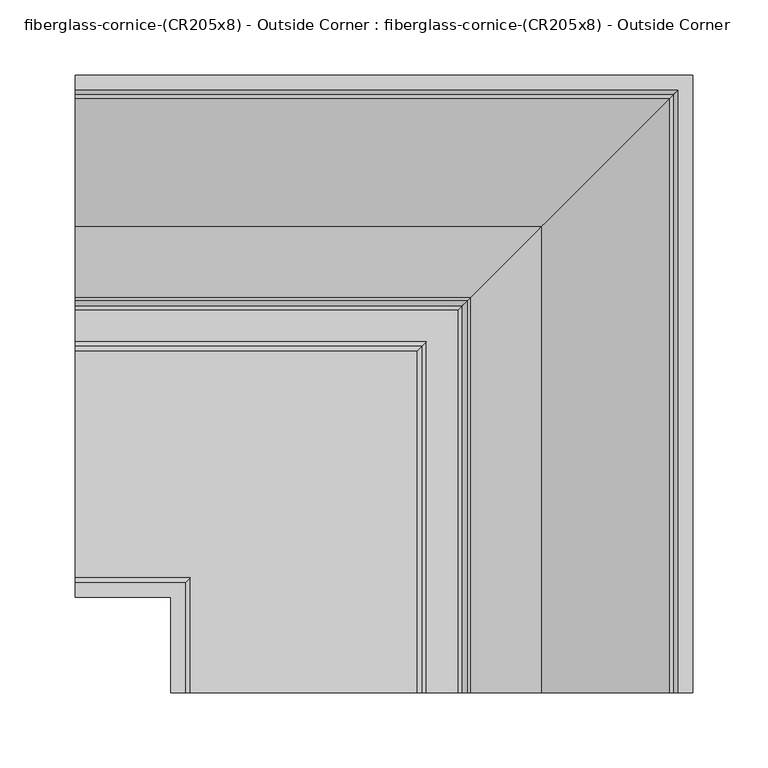
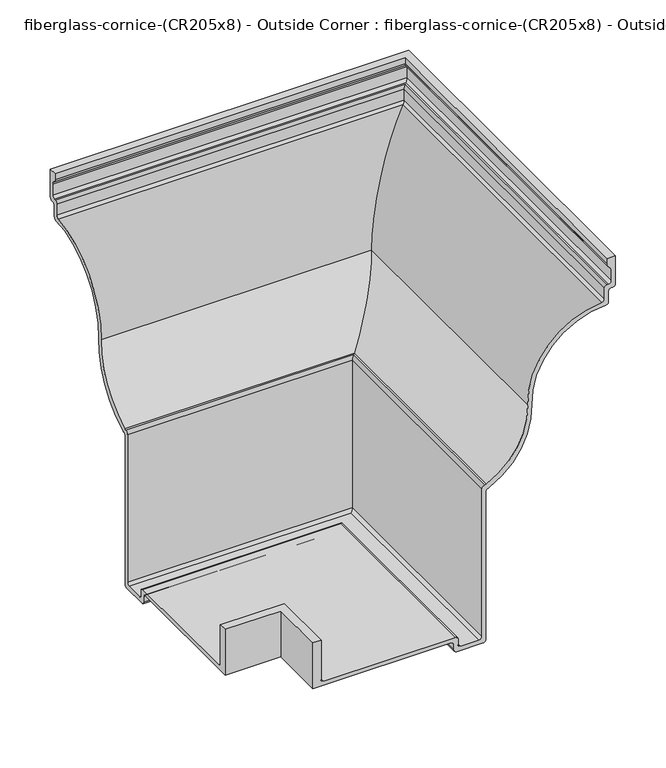
"""IFC4 building model written with IfcOpenShell, lengths in millimetres: furniture geometry, fiberglass-cornice-(CR205x8) - Outside Corner : fiberglass-cornice-(CR205x8) - Outside Corner."""

from ifc_helpers import new_model, si_unit, frame, origin, place, context, project, spatial, polyline, circle_curve, ellipse_curve, source, transform, mapped, element, save
from ifc_brep_helpers import plane_surface, cylinder_surface, revolved_surface, advanced_brep


def fiberglass_cornice_cr205x8_outside_corner_fiberglass_cornice_8eec718f(model_context):
    return source(origin(), model_context, "Body", "AdvancedBrep", [
        advanced_brep(
        [(-196.9488213, 448.402592, 330.1999904), (-196.9488213, 448.402592, 296.7496669), (-196.9488213, 445.227592, 293.5746669), (-196.9488213, 443.63751, 293.5746669), (-196.9488213, 440.4650842, 290.399668), (-196.9488213, 440.4650842, 277.6673142), (-196.9488213, 437.3782283, 274.4935379), (-196.9488213, 352.5801605, 183.4968665), (-196.9488213, 304.027068, 100.4557582), (-196.9488213, 302.6878327, 100.0102029), (-196.9488213, 300.057645, 96.8822955), (-196.9488213, 300.057645, -82.2659003), (-196.9488213, 296.882645, -85.4409003), (-196.9488213, 266.5927804, -85.4409003), (-196.9488213, 263.4177805, -82.2659005), (-196.9488213, 263.4177805, -75.9158997), (-196.9488213, 260.2207008, -72.7409765), (-196.9488213, 101.6, -72.7409765), (-196.9488213, 101.6, -17.1784797), (-196.9488213, 111.1249944, -17.1784797), (-196.9488213, 111.1249944, -64.8034783), (-196.9488213, 114.3220741, -67.9784015), (-196.9488213, 265.0052762, -67.9784015), (-196.9488213, 268.1802762, -71.1534015), (-196.9488213, 268.1802762, -77.5034023), (-196.9488213, 271.3552762, -80.6784023), (-196.9488213, 292.1201354, -80.6784023), (-196.9488213, 295.2951354, -77.5034025), (-196.9488213, 295.2951398, 101.1846656), (-196.9488213, 298.645484, 104.5975338), (-196.9488213, 300.4422511, 105.0961744), (-196.9488213, 347.7761057, 184.5765721), (-196.9488213, 432.770084, 279.0207573), (-196.9488213, 435.7025789, 282.1864826), (-196.9488213, 435.7025789, 295.1621667), (-196.9488213, 438.8805682, 298.3371653), (-196.9488213, 440.4650868, 298.3371653), (-196.9488213, 443.6400868, 301.5121653), (-196.9488213, 443.6400868, 314.8697359), (-196.9488213, 441.2588365, 318.9941821), (-196.9488213, 438.8775863, 323.1186282), (-196.9488213, 438.8775863, 330.1999904), (213.4529894, 38.0007813, 330.1999904), (203.9279837, 38.0007813, 330.1999904), (203.9279837, 38.0007813, 323.1186282), (206.3092339, 38.0007813, 318.9941821), (208.6904842, 38.0007813, 314.8697359), (208.6904842, 38.0007813, 301.5121653), (205.5154842, 38.0007813, 298.3371653), (203.9309656, 38.0007813, 298.3371653), (200.7529763, 38.0007813, 295.1621667), (200.7529763, 38.0007813, 282.1864826), (197.8204814, 38.0007813, 279.0207573), (112.8265031, 38.0007813, 184.5765721), (65.4926485, 38.0007813, 105.0961744), (63.6958814, 38.0007813, 104.5975338), (60.3455372, 38.0007813, 101.1846656), (60.3455372, 38.0007813, -77.5034025), (57.1705328, 38.0007813, -80.6784025), (36.4056736, 38.0007813, -80.6784023), (33.2306736, 38.0007813, -77.5034023), (33.2306736, 38.0007813, -71.1534015), (30.0556736, 38.0007813, -67.9784015), (-120.6275285, 38.0007813, -67.9784015), (-123.8246082, 38.0007813, -64.8034783), (-123.8246082, 38.0007813, -17.1784797), (-133.3496026, 38.0007813, -17.1784797), (-133.3496026, 38.0007813, -72.7409765), (25.2710982, 38.0007813, -72.7409765), (28.4681779, 38.0007813, -75.9158997), (28.4681779, 38.0007813, -82.2659005), (31.6431778, 38.0007813, -85.4409003), (61.9330424, 38.0007813, -85.4409003), (65.1080424, 38.0007813, -82.2659003), (65.1080424, 38.0007813, 96.8822955), (67.7382301, 38.0007813, 100.0102029), (69.0774654, 38.0007813, 100.4557582), (117.6305579, 38.0007813, 183.4968665), (202.4286257, 38.0007813, 274.4935379), (205.5154816, 38.0007813, 277.6673142), (205.5154816, 38.0007813, 290.399668), (208.6879074, 38.0007813, 293.5746669), (210.2779894, 38.0007813, 293.5746669), (213.4529894, 38.0007813, 296.7496669), (213.4529894, 448.402592, 330.1999904), (213.4529894, 448.402592, 296.7496669), (210.2779894, 445.227592, 293.5746669), (208.6879074, 443.63751, 293.5746669), (205.5154816, 440.4650842, 290.399668), (205.5154816, 440.4650842, 277.6673142), (202.4286257, 437.3782283, 274.4935379), (117.6305579, 352.5801605, 183.4968665), (69.0774654, 304.027068, 100.4557582), (67.7382301, 302.6878327, 100.0102029), (65.1080424, 300.057645, 96.8822955), (65.1080424, 300.057645, -82.2659003), (61.9330424, 296.882645, -85.4409003), (31.6431778, 266.5927804, -85.4409003), (28.4681779, 263.4177805, -82.2659005), (28.4681779, 263.4177805, -75.9158997), (25.2710982, 260.2207008, -72.7409765), (-133.3496026, 101.6, -72.7409765), (-133.3496026, 101.6, -17.1784797), (-123.8246082, 111.1249944, -17.1784797), (-123.8246082, 111.1249944, -64.8034783), (-120.6275285, 114.3220741, -67.9784015), (30.0556736, 265.0052762, -67.9784015), (33.2306736, 268.1802762, -71.1534015), (33.2306736, 268.1802762, -77.5034023), (36.4056736, 271.3552762, -80.6784023), (57.1705328, 292.1201354, -80.6784023), (60.3455328, 295.2951354, -77.5034025), (60.3455372, 295.2951398, 101.1846656), (63.6958814, 298.645484, 104.5975338), (65.4926485, 300.4422511, 105.0961744), (112.8265031, 347.7761057, 184.5765721), (197.8204814, 432.770084, 279.0207573), (200.7529763, 435.7025789, 282.1864826), (200.7529763, 435.7025789, 295.1621667), (203.9309656, 438.8805682, 298.3371653), (205.5154842, 440.4650868, 298.3371653), (208.6904842, 443.6400868, 301.5121653), (208.6904842, 443.6400868, 314.8697359), (206.3092339, 441.2588365, 318.9941821), (203.9279837, 438.8775863, 323.1186282), (203.9279837, 438.8775863, 330.1999904)],
        [
            (0, 1),
            (1, 2, circle_curve(frame((-196.9488213, 445.227592, 296.7496669), z_axis=(-1.0, 0.0, 0.0), x_axis=(0.0, 1.0, 0.0)), 3.175)),
            (2, 3),
            (3, 4, circle_curve(frame((-196.9488213, 443.6400842, 290.399668), z_axis=(1.0, 0.0, 0.0), x_axis=(0.0, 1.0, 0.0)), 3.175)),
            (4, 5),
            (5, 6, circle_curve(frame((-196.9488213, 437.2900842, 277.6673142), z_axis=(-1.0, 0.0, 0.0), x_axis=(0.0, 1.0, 0.0)), 3.175)),
            (6, 7, circle_curve(frame((-196.9488213, 439.8018848, 187.2257893), z_axis=(1.0, 0.0, 0.0), x_axis=(0.0, 1.0, 0.0)), 87.3013978)),
            (7, 8, circle_curve(frame((-196.9488213, 263.7831823, 179.7005981), z_axis=(-1.0, 0.0, 0.0), x_axis=(0.0, 1.0, 0.0)), 88.8780906)),
            (8, 9, circle_curve(frame((-196.9488213, 301.8706141, 104.702064), z_axis=(-1.0, 0.0, 0.0), x_axis=(0.0, 1.0, 0.0)), 4.7625)),
            (9, 10, circle_curve(frame((-196.9488213, 303.232645, 96.8822955), z_axis=(1.0, 0.0, 0.0), x_axis=(0.0, 1.0, 0.0)), 3.175)),
            (10, 11),
            (11, 12, circle_curve(frame((-196.9488213, 296.882645, -82.2659003), z_axis=(-1.0, 0.0, 0.0), x_axis=(0.0, 1.0, 0.0)), 3.175)),
            (12, 13),
            (13, 14, circle_curve(frame((-196.9488213, 266.5927804, -82.2659005), z_axis=(-1.0, 0.0, 0.0), x_axis=(0.0, 1.0, 0.0)), 3.1749999)),
            (14, 15),
            (15, 16, circle_curve(frame((-196.9488213, 260.2427805, -75.9158997), z_axis=(1.0, 0.0, 0.0), x_axis=(0.0, 1.0, 0.0)), 3.175)),
            (16, 17),
            (17, 18),
            (18, 19),
            (19, 20),
            (20, 21, circle_curve(frame((-196.9488213, 114.2999944, -64.8034783), z_axis=(1.0, 0.0, 0.0), x_axis=(0.0, 1.0, 0.0)), 3.175)),
            (21, 22),
            (22, 23, circle_curve(frame((-196.9488213, 265.0052762, -71.1534015), z_axis=(-1.0, 0.0, 0.0), x_axis=(0.0, 1.0, 0.0)), 3.175)),
            (23, 24),
            (24, 25, circle_curve(frame((-196.9488213, 271.3552762, -77.5034023), z_axis=(1.0, 0.0, 0.0), x_axis=(0.0, 1.0, 0.0)), 3.175)),
            (25, 26),
            (26, 27, circle_curve(frame((-196.9488213, 292.1201354, -77.5034025), z_axis=(1.0, 0.0, 0.0), x_axis=(0.0, 1.0, 0.0)), 3.175)),
            (27, 28),
            (28, 29, circle_curve(frame((-196.9488213, 298.9121091, 100.9848763), z_axis=(-1.0, 0.0, 0.0), x_axis=(0.0, 1.0, 0.0)), 3.622483)),
            (29, 30, circle_curve(frame((-196.9488213, 298.2949504, 109.3471161), z_axis=(1.0, 0.0, 0.0), x_axis=(0.0, 1.0, 0.0)), 4.7625)),
            (30, 31, circle_curve(frame((-196.9488213, 261.5478046, 182.0942513), z_axis=(1.0, 0.0, 0.0), x_axis=(0.0, 1.0, 0.0)), 86.2640239)),
            (31, 32, circle_curve(frame((-196.9488213, 439.8018848, 187.2257893), z_axis=(-1.0, 0.0, 0.0), x_axis=(0.0, 1.0, 0.0)), 92.0639037)),
            (32, 33, circle_curve(frame((-196.9488213, 432.5275789, 282.1864826), z_axis=(1.0, 0.0, 0.0), x_axis=(0.0, 1.0, 0.0)), 3.175)),
            (33, 34),
            (34, 35, circle_curve(frame((-196.9488213, 438.8775789, 295.1621667), z_axis=(-1.0, 0.0, 0.0), x_axis=(0.0, 1.0, 0.0)), 3.175)),
            (35, 36),
            (36, 37, circle_curve(frame((-196.9488213, 440.4650868, 301.5121653), z_axis=(1.0, 0.0, 0.0), x_axis=(0.0, 1.0, 0.0)), 3.175)),
            (37, 38),
            (38, 39, circle_curve(frame((-196.9488213, 438.8775868, 314.8697359), z_axis=(1.0, 0.0, 0.0), x_axis=(0.0, 1.0, 0.0)), 4.7625)),
            (39, 40, circle_curve(frame((-196.9488213, 443.6400863, 323.1186282), z_axis=(-1.0, 0.0, 0.0), x_axis=(0.0, 1.0, 0.0)), 4.7625)),
            (40, 41),
            (41, 0),
            (42, 43),
            (43, 44),
            (44, 45, circle_curve(frame((208.6904837, 38.0007813, 323.1186282), z_axis=(0.0, -1.0, 0.0), x_axis=(1.0, 0.0, 0.0)), 4.7625)),
            (45, 46, circle_curve(frame((203.9279842, 38.0007813, 314.8697359), z_axis=(0.0, 1.0, 0.0), x_axis=(1.0, 0.0, 0.0)), 4.7625)),
            (46, 47),
            (47, 48, circle_curve(frame((205.5154842, 38.0007813, 301.5121653), z_axis=(0.0, 1.0, 0.0), x_axis=(1.0, 0.0, 0.0)), 3.175)),
            (48, 49),
            (49, 50, circle_curve(frame((203.9279763, 38.0007813, 295.1621667), z_axis=(0.0, -1.0, 0.0), x_axis=(1.0, 0.0, 0.0)), 3.175)),
            (50, 51),
            (51, 52, circle_curve(frame((197.5779763, 38.0007813, 282.1864826), z_axis=(0.0, 1.0, 0.0), x_axis=(1.0, 0.0, 0.0)), 3.175)),
            (52, 53, circle_curve(frame((204.8522822, 38.0007813, 187.2257893), z_axis=(0.0, -1.0, 0.0), x_axis=(1.0, 0.0, 0.0)), 92.0639037)),
            (53, 54, circle_curve(frame((26.598202, 38.0007813, 182.0942513), z_axis=(0.0, 1.0, 0.0), x_axis=(1.0, 0.0, 0.0)), 86.2640239)),
            (54, 55, circle_curve(frame((63.3453478, 38.0007813, 109.3471161), z_axis=(0.0, 1.0, 0.0), x_axis=(1.0, 0.0, 0.0)), 4.7625)),
            (55, 56, circle_curve(frame((63.9625065, 38.0007813, 100.9848763), z_axis=(0.0, -1.0, 0.0), x_axis=(1.0, 0.0, 0.0)), 3.622483)),
            (56, 57),
            (57, 58, circle_curve(frame((57.1705328, 38.0007813, -77.5034025), z_axis=(0.0, 1.0, 0.0), x_axis=(1.0, 0.0, 0.0)), 3.175)),
            (58, 59),
            (59, 60, circle_curve(frame((36.4056736, 38.0007813, -77.5034023), z_axis=(0.0, 1.0, 0.0), x_axis=(1.0, 0.0, 0.0)), 3.175)),
            (60, 61),
            (61, 62, circle_curve(frame((30.0556736, 38.0007813, -71.1534015), z_axis=(0.0, -1.0, 0.0), x_axis=(1.0, 0.0, 0.0)), 3.175)),
            (62, 63),
            (63, 64, circle_curve(frame((-120.6496082, 38.0007813, -64.8034783), z_axis=(0.0, 1.0, 0.0), x_axis=(1.0, 0.0, 0.0)), 3.175)),
            (64, 65),
            (65, 66),
            (66, 67),
            (67, 68),
            (68, 69, circle_curve(frame((25.2931779, 38.0007813, -75.9158997), z_axis=(0.0, 1.0, 0.0), x_axis=(1.0, 0.0, 0.0)), 3.175)),
            (69, 70),
            (70, 71, circle_curve(frame((31.6431778, 38.0007813, -82.2659005), z_axis=(0.0, -1.0, 0.0), x_axis=(1.0, 0.0, 0.0)), 3.1749999)),
            (71, 72),
            (72, 73, circle_curve(frame((61.9330424, 38.0007813, -82.2659003), z_axis=(0.0, -1.0, 0.0), x_axis=(1.0, 0.0, 0.0)), 3.175)),
            (73, 74),
            (74, 75, circle_curve(frame((68.2830424, 38.0007813, 96.8822955), z_axis=(0.0, 1.0, 0.0), x_axis=(1.0, 0.0, 0.0)), 3.175)),
            (75, 76, circle_curve(frame((66.9210115, 38.0007813, 104.702064), z_axis=(0.0, -1.0, 0.0), x_axis=(1.0, 0.0, 0.0)), 4.7625)),
            (76, 77, circle_curve(frame((28.8335797, 38.0007813, 179.7005981), z_axis=(0.0, -1.0, 0.0), x_axis=(1.0, 0.0, 0.0)), 88.8780906)),
            (77, 78, circle_curve(frame((204.8522822, 38.0007813, 187.2257893), z_axis=(0.0, 1.0, 0.0), x_axis=(1.0, 0.0, 0.0)), 87.3013978)),
            (78, 79, circle_curve(frame((202.3404816, 38.0007813, 277.6673142), z_axis=(0.0, -1.0, 0.0), x_axis=(1.0, 0.0, 0.0)), 3.175)),
            (79, 80),
            (80, 81, circle_curve(frame((208.6904816, 38.0007813, 290.399668), z_axis=(0.0, 1.0, 0.0), x_axis=(1.0, 0.0, 0.0)), 3.175)),
            (81, 82),
            (82, 83, circle_curve(frame((210.2779894, 38.0007813, 296.7496669), z_axis=(0.0, -1.0, 0.0), x_axis=(1.0, 0.0, 0.0)), 3.175)),
            (83, 42),
            (0, 84),
            (84, 85),
            (85, 1),
            (85, 86, ellipse_curve(frame((210.2779894, 445.227592, 296.7496669), z_axis=(-0.7071067811865563, 0.7071067811865387, 0.0), x_axis=(-0.7071067811865387, -0.7071067811865565, 0.0)), 4.4901281, 3.175)),
            (86, 2),
            (86, 82),
            (81, 87),
            (87, 3),
            (87, 88, ellipse_curve(frame((208.6904816, 443.6400842, 290.399668), z_axis=(0.7071067811865563, -0.7071067811865387, 0.0), x_axis=(0.7071067811865387, 0.7071067811865565, 0.0)), 4.4901281, 3.175)),
            (88, 4),
            (88, 89),
            (89, 5),
            (89, 90, ellipse_curve(frame((202.3404816, 437.2900842, 277.6673142), z_axis=(-0.7071067811865563, 0.7071067811865387, 0.0), x_axis=(-0.7071067811865387, -0.7071067811865565, 0.0)), 4.4901281, 3.175)),
            (90, 6),
            (90, 91, ellipse_curve(frame((204.8522822, 439.8018848, 187.2257893), z_axis=(0.7071067811865563, -0.7071067811865387, 0.0), x_axis=(0.7071067811865387, 0.7071067811865565, 0.0)), 123.4628208, 87.3013978)),
            (91, 7),
            (91, 92, ellipse_curve(frame((28.8335797, 263.7831823, 179.7005981), z_axis=(-0.7071067811865563, 0.7071067811865387, 0.0), x_axis=(-0.7071067811865387, -0.7071067811865565, 0.0)), 125.6926012, 88.8780906)),
            (92, 8),
            (92, 93, ellipse_curve(frame((66.9210115, 301.8706141, 104.702064), z_axis=(-0.7071067811865563, 0.7071067811865387, 0.0), x_axis=(-0.7071067811865387, -0.7071067811865565, 0.0)), 6.7351921, 4.7625)),
            (93, 9),
            (93, 94, ellipse_curve(frame((68.2830424, 303.232645, 96.8822955), z_axis=(0.7071067811865563, -0.7071067811865387, 0.0), x_axis=(0.7071067811865387, 0.7071067811865565, 0.0)), 4.4901281, 3.175)),
            (94, 10),
            (94, 95),
            (95, 11),
            (95, 96, ellipse_curve(frame((61.9330424, 296.882645, -82.2659003), z_axis=(-0.7071067811865563, 0.7071067811865387, 0.0), x_axis=(-0.7071067811865387, -0.7071067811865565, 0.0)), 4.4901281, 3.175)),
            (96, 12),
            (96, 72),
            (71, 97),
            (97, 13),
            (97, 98, ellipse_curve(frame((31.6431778, 266.5927804, -82.2659005), z_axis=(-0.7071067811865563, 0.7071067811865387, 0.0), x_axis=(-0.7071067811865387, -0.7071067811865565, 0.0)), 4.4901279, 3.1749999)),
            (98, 14),
            (98, 99),
            (99, 15),
            (99, 100, ellipse_curve(frame((25.2931779, 260.2427805, -75.9158997), z_axis=(0.7071067811865563, -0.7071067811865387, 0.0), x_axis=(0.7071067811865387, 0.7071067811865565, 0.0)), 4.4901281, 3.175)),
            (100, 16),
            (100, 68),
            (67, 101),
            (101, 17),
            (101, 102),
            (102, 18),
            (102, 66),
            (65, 103),
            (103, 19),
            (103, 104),
            (104, 20),
            (104, 105, ellipse_curve(frame((-120.6496082, 114.2999944, -64.8034783), z_axis=(0.7071067811865563, -0.7071067811865387, 0.0), x_axis=(0.7071067811865387, 0.7071067811865565, 0.0)), 4.4901281, 3.175)),
            (105, 21),
            (105, 63),
            (62, 106),
            (106, 22),
            (106, 107, ellipse_curve(frame((30.0556736, 265.0052762, -71.1534015), z_axis=(-0.7071067811865563, 0.7071067811865387, 0.0), x_axis=(-0.7071067811865387, -0.7071067811865565, 0.0)), 4.4901281, 3.175)),
            (107, 23),
            (107, 108),
            (108, 24),
            (108, 109, ellipse_curve(frame((36.4056736, 271.3552762, -77.5034023), z_axis=(0.7071067811865563, -0.7071067811865387, 0.0), x_axis=(0.7071067811865387, 0.7071067811865565, 0.0)), 4.4901281, 3.175)),
            (109, 25),
            (109, 59),
            (58, 110),
            (110, 26),
            (110, 111, ellipse_curve(frame((57.1705328, 292.1201354, -77.5034025), z_axis=(0.7071067811865563, -0.7071067811865387, 0.0), x_axis=(0.7071067811865387, 0.7071067811865565, 0.0)), 4.4901281, 3.175)),
            (111, 27),
            (111, 112),
            (112, 28),
            (112, 113, ellipse_curve(frame((63.9625065, 298.9121091, 100.9848763), z_axis=(-0.7071067811865563, 0.7071067811865387, 0.0), x_axis=(-0.7071067811865387, -0.7071067811865565, 0.0)), 5.1229646, 3.622483)),
            (113, 29),
            (113, 114, ellipse_curve(frame((63.3453478, 298.2949504, 109.3471161), z_axis=(0.7071067811865563, -0.7071067811865387, 0.0), x_axis=(0.7071067811865387, 0.7071067811865565, 0.0)), 6.7351921, 4.7625)),
            (114, 30),
            (114, 115, ellipse_curve(frame((26.598202, 261.5478046, 182.0942513), z_axis=(0.7071067811865563, -0.7071067811865387, 0.0), x_axis=(0.7071067811865387, 0.7071067811865565, 0.0)), 121.9957526, 86.2640239)),
            (115, 31),
            (115, 116, ellipse_curve(frame((204.8522822, 439.8018848, 187.2257893), z_axis=(-0.7071067811865563, 0.7071067811865387, 0.0), x_axis=(-0.7071067811865387, -0.7071067811865565, 0.0)), 130.1980213, 92.0639037)),
            (116, 32),
            (116, 117, ellipse_curve(frame((197.5779763, 432.5275789, 282.1864826), z_axis=(0.7071067811865563, -0.7071067811865387, 0.0), x_axis=(0.7071067811865387, 0.7071067811865565, 0.0)), 4.4901281, 3.175)),
            (117, 33),
            (117, 118),
            (118, 34),
            (118, 119, ellipse_curve(frame((203.9279763, 438.8775789, 295.1621667), z_axis=(-0.7071067811865563, 0.7071067811865387, 0.0), x_axis=(-0.7071067811865387, -0.7071067811865565, 0.0)), 4.4901281, 3.175)),
            (119, 35),
            (119, 49),
            (48, 120),
            (120, 36),
            (120, 121, ellipse_curve(frame((205.5154842, 440.4650868, 301.5121653), z_axis=(0.7071067811865563, -0.7071067811865387, 0.0), x_axis=(0.7071067811865387, 0.7071067811865565, 0.0)), 4.4901281, 3.175)),
            (121, 37),
            (121, 122),
            (122, 38),
            (122, 123, ellipse_curve(frame((203.9279842, 438.8775868, 314.8697359), z_axis=(0.7071067811865563, -0.7071067811865387, 0.0), x_axis=(0.7071067811865387, 0.7071067811865565, 0.0)), 6.7351921, 4.7625)),
            (123, 39),
            (123, 124, ellipse_curve(frame((208.6904837, 443.6400863, 323.1186282), z_axis=(-0.7071067811865563, 0.7071067811865387, 0.0), x_axis=(-0.7071067811865387, -0.7071067811865565, 0.0)), 6.7351921, 4.7625)),
            (124, 40),
            (124, 125),
            (125, 41),
            (125, 43),
            (42, 84),
            (83, 85),
            (80, 88),
            (79, 89),
            (78, 90),
            (77, 91),
            (76, 92),
            (75, 93),
            (74, 94),
            (73, 95),
            (70, 98),
            (69, 99),
            (64, 104),
            (61, 107),
            (60, 108),
            (57, 111),
            (56, 112),
            (55, 113),
            (54, 114),
            (53, 115),
            (52, 116),
            (51, 117),
            (50, 118),
            (47, 121),
            (46, 122),
            (45, 123),
            (44, 124),
        ],
        [
            plane_surface(frame((-196.9488213, 101.6, 330.1999904), z_axis=(-1.0, 0.0, 0.0), x_axis=(0.0, 0.0, 1.0))),
            plane_surface(frame((-133.3496026, 38.0007813, 330.1999904), z_axis=(0.0, -1.0, 0.0), x_axis=(0.0, 0.0, 1.0))),
            plane_surface(frame((-196.9488213, 448.402592, 330.1999904), z_axis=(0.0, 1.0, 0.0), x_axis=(1.0, 0.0, 0.0))),
            cylinder_surface(frame((-196.9488213, 445.227592, 296.7496669), z_axis=(-1.0, 0.0, 0.0), x_axis=(0.0, 1.0, 0.0)), 3.175),
            plane_surface(frame((-196.9488213, 445.227592, 293.5746669), z_axis=(0.0, 0.0, -1.0), x_axis=(1.0, 0.0, 0.0))),
            revolved_surface(polyline([(211.86548162790618, 446.8150842, 290.399668), (-196.9488213, 446.8150842, 290.399668)]), (-196.9488213, 443.6400842, 290.399668), (1.0, 0.0, 0.0)),
            plane_surface(frame((-196.9488213, 440.4650842, 290.399668), z_axis=(0.0, 1.0, 0.0), x_axis=(1.0, 0.0, 0.0))),
            cylinder_surface(frame((-196.9488213, 437.2900842, 277.6673142), z_axis=(-1.0, 0.0, 0.0), x_axis=(0.0, 1.0, 0.0)), 3.175),
            revolved_surface(polyline([(292.15368001209845, 527.1032826, 187.2257893), (-196.9488213, 527.1032826, 187.2257893)]), (-196.9488213, 439.8018848, 187.2257893), (1.0, 0.0, 0.0)),
            cylinder_surface(frame((-196.9488213, 263.7831823, 179.7005981), z_axis=(-1.0, 0.0, 0.0), x_axis=(0.0, 1.0, 0.0)), 88.8780906),
            cylinder_surface(frame((-196.9488213, 301.8706141, 104.702064), z_axis=(-1.0, 0.0, 0.0), x_axis=(0.0, 1.0, 0.0)), 4.7625),
            revolved_surface(polyline([(71.45804242790618, 306.407645, 96.8822955), (-196.9488213, 306.407645, 96.8822955)]), (-196.9488213, 303.232645, 96.8822955), (1.0, 0.0, 0.0)),
            plane_surface(frame((-196.9488213, 300.057645, 96.8822955), z_axis=(0.0, 1.0, 0.0), x_axis=(1.0, 0.0, 0.0))),
            cylinder_surface(frame((-196.9488213, 296.882645, -82.2659003), z_axis=(-1.0, 0.0, 0.0), x_axis=(0.0, 1.0, 0.0)), 3.175),
            plane_surface(frame((-196.9488213, 296.882645, -85.4409003), z_axis=(0.0, 0.0, -1.0), x_axis=(1.0, 0.0, 0.0))),
            cylinder_surface(frame((-196.9488213, 266.5927804, -82.2659005), z_axis=(-1.0, 0.0, 0.0), x_axis=(0.0, 1.0, 0.0)), 3.1749999),
            plane_surface(frame((-196.9488213, 263.4177805, -82.2659005), z_axis=(0.0, -1.0, 0.0), x_axis=(1.0, 0.0, 0.0))),
            revolved_surface(polyline([(28.468177927906225, 263.4177805, -75.9158997), (-196.9488213, 263.4177805, -75.9158997)]), (-196.9488213, 260.2427805, -75.9158997), (1.0, 0.0, 0.0)),
            plane_surface(frame((-196.9488213, 260.2207008, -72.7409765), z_axis=(0.0, 0.0, -1.0), x_axis=(1.0, 0.0, 0.0))),
            plane_surface(frame((-196.9488213, 101.6, -72.7409765), z_axis=(0.0, -1.0, 0.0), x_axis=(1.0, 0.0, 0.0))),
            plane_surface(frame((-196.9488213, 101.6, -17.1784797), z_axis=(0.0, 0.0, 1.0), x_axis=(1.0, 0.0, 0.0))),
            plane_surface(frame((-196.9488213, 111.1249944, -17.1784797), z_axis=(0.0, 1.0, 0.0), x_axis=(1.0, 0.0, 0.0))),
            revolved_surface(polyline([(-117.47460817209378, 117.4749944, -64.8034783), (-196.9488213, 117.4749944, -64.8034783)]), (-196.9488213, 114.2999944, -64.8034783), (1.0, 0.0, 0.0)),
            plane_surface(frame((-196.9488213, 114.3220741, -67.9784015), z_axis=(0.0, 0.0, 1.0), x_axis=(1.0, 0.0, 0.0))),
            cylinder_surface(frame((-196.9488213, 265.0052762, -71.1534015), z_axis=(-1.0, 0.0, 0.0), x_axis=(0.0, 1.0, 0.0)), 3.175),
            plane_surface(frame((-196.9488213, 268.1802762, -71.1534015), z_axis=(0.0, 1.0, 0.0), x_axis=(1.0, 0.0, 0.0))),
            revolved_surface(polyline([(39.580673627906236, 274.5302762, -77.5034023), (-196.9488213, 274.5302762, -77.5034023)]), (-196.9488213, 271.3552762, -77.5034023), (1.0, 0.0, 0.0)),
            plane_surface(frame((-196.9488213, 271.3552762, -80.6784023), z_axis=(0.0, 0.0, 1.0), x_axis=(1.0, 0.0, 0.0))),
            revolved_surface(polyline([(60.345532827906226, 295.2951354, -77.5034025), (-196.9488213, 295.2951354, -77.5034025)]), (-196.9488213, 292.1201354, -77.5034025), (1.0, 0.0, 0.0)),
            plane_surface(frame((-196.9488213, 295.2951398, -72.7645836), z_axis=(0.0, -1.0, 0.0), x_axis=(1.0, 0.0, 0.0))),
            cylinder_surface(frame((-196.9488213, 298.9121091, 100.9848763), z_axis=(-1.0, 0.0, 0.0), x_axis=(0.0, 1.0, 0.0)), 3.622483),
            revolved_surface(polyline([(68.107847806504, 303.0574504, 109.3471161), (-196.9488213, 303.0574504, 109.3471161)]), (-196.9488213, 298.2949504, 109.3471161), (1.0, 0.0, 0.0)),
            revolved_surface(polyline([(112.86222593941531, 347.8118285, 182.0942513), (-196.9488213, 347.8118285, 182.0942513)]), (-196.9488213, 261.5478046, 182.0942513), (1.0, 0.0, 0.0)),
            cylinder_surface(frame((-196.9488213, 439.8018848, 187.2257893), z_axis=(-1.0, 0.0, 0.0), x_axis=(0.0, 1.0, 0.0)), 92.0639037),
            revolved_surface(polyline([(200.75297632790623, 435.7025789, 282.1864826), (-196.9488213, 435.7025789, 282.1864826)]), (-196.9488213, 432.5275789, 282.1864826), (1.0, 0.0, 0.0)),
            plane_surface(frame((-196.9488213, 435.7025789, 282.1864826), z_axis=(0.0, -1.0, 0.0), x_axis=(1.0, 0.0, 0.0))),
            cylinder_surface(frame((-196.9488213, 438.8775789, 295.1621667), z_axis=(-1.0, 0.0, 0.0), x_axis=(0.0, 1.0, 0.0)), 3.175),
            plane_surface(frame((-196.9488213, 438.8805682, 298.3371653), z_axis=(0.0, 0.0, 1.0), x_axis=(1.0, 0.0, 0.0))),
            revolved_surface(polyline([(208.69048422790624, 443.6400868, 301.5121653), (-196.9488213, 443.6400868, 301.5121653)]), (-196.9488213, 440.4650868, 301.5121653), (1.0, 0.0, 0.0)),
            plane_surface(frame((-196.9488213, 443.6400868, 301.5121653), z_axis=(0.0, -1.0, 0.0), x_axis=(1.0, 0.0, 0.0))),
            revolved_surface(polyline([(208.690484206504, 443.6400868, 314.8697359), (-196.9488213, 443.6400868, 314.8697359)]), (-196.9488213, 438.8775868, 314.8697359), (1.0, 0.0, 0.0)),
            cylinder_surface(frame((-196.9488213, 443.6400863, 323.1186282), z_axis=(-1.0, 0.0, 0.0), x_axis=(0.0, 1.0, 0.0)), 4.7625),
            plane_surface(frame((-196.9488213, 438.8775863, 323.1186282), z_axis=(0.0, -1.0, 0.0), x_axis=(1.0, 0.0, 0.0))),
            plane_surface(frame((-196.9488213, 438.8775863, 330.1999904), z_axis=(0.0, 0.0, 1.0), x_axis=(1.0, 0.0, 0.0))),
            plane_surface(frame((213.4529894, 448.402592, 330.1999904), z_axis=(1.0, 0.0, 0.0), x_axis=(0.0, -1.0, 0.0))),
            cylinder_surface(frame((210.2779894, 101.6, 296.7496669), z_axis=(0.0, 1.0, 0.0), x_axis=(1.0, 0.0, 0.0)), 3.175),
            revolved_surface(polyline([(211.8654816, 38.0007813, 290.399668), (211.8654816, 446.81508422790637, 290.399668)]), (208.6904816, 101.6, 290.399668), (0.0, -1.0, 0.0)),
            plane_surface(frame((205.5154816, 440.4650842, 290.399668), z_axis=(1.0, 0.0, 0.0), x_axis=(0.0, -1.0, 0.0))),
            cylinder_surface(frame((202.3404816, 101.6, 277.6673142), z_axis=(0.0, 1.0, 0.0), x_axis=(1.0, 0.0, 0.0)), 3.175),
            revolved_surface(polyline([(292.15368, 38.0007813, 187.2257893), (292.15368, 527.1032826121007, 187.2257893)]), (204.8522822, 101.6, 187.2257893), (0.0, -1.0, 0.0)),
            cylinder_surface(frame((28.8335797, 101.6, 179.7005981), z_axis=(0.0, 1.0, 0.0), x_axis=(1.0, 0.0, 0.0)), 88.8780906),
            cylinder_surface(frame((66.9210115, 101.6, 104.702064), z_axis=(0.0, 1.0, 0.0), x_axis=(1.0, 0.0, 0.0)), 4.7625),
            revolved_surface(polyline([(71.4580424, 38.0007813, 96.8822955), (71.4580424, 306.4076450279063, 96.8822955)]), (68.2830424, 101.6, 96.8822955), (0.0, -1.0, 0.0)),
            plane_surface(frame((65.1080424, 300.057645, 96.8822955), z_axis=(1.0, 0.0, 0.0), x_axis=(0.0, -1.0, 0.0))),
            cylinder_surface(frame((61.9330424, 101.6, -82.2659003), z_axis=(0.0, 1.0, 0.0), x_axis=(1.0, 0.0, 0.0)), 3.175),
            cylinder_surface(frame((31.6431778, 101.6, -82.2659005), z_axis=(0.0, 1.0, 0.0), x_axis=(1.0, 0.0, 0.0)), 3.1749999),
            plane_surface(frame((28.4681779, 263.4177805, -82.2659005), z_axis=(-1.0, 0.0, 0.0), x_axis=(0.0, -1.0, 0.0))),
            revolved_surface(polyline([(28.4681779, 38.0007813, -75.9158997), (28.4681779, 263.4177805279063, -75.9158997)]), (25.2931779, 101.6, -75.9158997), (0.0, -1.0, 0.0)),
            plane_surface(frame((-133.3496026, 101.6, -72.7409765), z_axis=(-1.0, 0.0, 0.0), x_axis=(0.0, -1.0, 0.0))),
            plane_surface(frame((-123.8246082, 111.1249944, -17.1784797), z_axis=(1.0, 0.0, 0.0), x_axis=(0.0, -1.0, 0.0))),
            revolved_surface(polyline([(-117.4746082, 38.0007813, -64.8034783), (-117.4746082, 117.47499442790631, -64.8034783)]), (-120.6496082, 101.6, -64.8034783), (0.0, -1.0, 0.0)),
            cylinder_surface(frame((30.0556736, 101.6, -71.1534015), z_axis=(0.0, 1.0, 0.0), x_axis=(1.0, 0.0, 0.0)), 3.175),
            plane_surface(frame((33.2306736, 268.1802762, -71.1534015), z_axis=(1.0, 0.0, 0.0), x_axis=(0.0, -1.0, 0.0))),
            revolved_surface(polyline([(39.5806736, 38.0007813, -77.5034023), (39.5806736, 274.5302762279063, -77.5034023)]), (36.4056736, 101.6, -77.5034023), (0.0, -1.0, 0.0)),
            revolved_surface(polyline([(60.345532799999994, 38.0007813, -77.5034025), (60.345532799999994, 295.2951354279063, -77.5034025)]), (57.1705328, 101.6, -77.5034025), (0.0, -1.0, 0.0)),
            plane_surface(frame((60.3455372, 295.2951398, -72.7645836), z_axis=(-1.0, 0.0, 0.0), x_axis=(0.0, -1.0, 0.0))),
            cylinder_surface(frame((63.9625065, 101.6, 100.9848763), z_axis=(0.0, 1.0, 0.0), x_axis=(1.0, 0.0, 0.0)), 3.622483),
            revolved_surface(polyline([(68.1078478, 38.0007813, 109.3471161), (68.1078478, 303.05745040650413, 109.3471161)]), (63.3453478, 101.6, 109.3471161), (0.0, -1.0, 0.0)),
            revolved_surface(polyline([(112.8622259, 38.0007813, 182.0942513), (112.8622259, 347.8118285394175, 182.0942513)]), (26.598202, 101.6, 182.0942513), (0.0, -1.0, 0.0)),
            cylinder_surface(frame((204.8522822, 101.6, 187.2257893), z_axis=(0.0, 1.0, 0.0), x_axis=(1.0, 0.0, 0.0)), 92.0639037),
            revolved_surface(polyline([(200.7529763, 38.0007813, 282.1864826), (200.7529763, 435.7025789279063, 282.1864826)]), (197.5779763, 101.6, 282.1864826), (0.0, -1.0, 0.0)),
            plane_surface(frame((200.7529763, 435.7025789, 282.1864826), z_axis=(-1.0, 0.0, 0.0), x_axis=(0.0, -1.0, 0.0))),
            cylinder_surface(frame((203.9279763, 101.6, 295.1621667), z_axis=(0.0, 1.0, 0.0), x_axis=(1.0, 0.0, 0.0)), 3.175),
            revolved_surface(polyline([(208.69048420000001, 38.0007813, 301.5121653), (208.69048420000001, 443.6400868279063, 301.5121653)]), (205.5154842, 101.6, 301.5121653), (0.0, -1.0, 0.0)),
            plane_surface(frame((208.6904842, 443.6400868, 301.5121653), z_axis=(-1.0, 0.0, 0.0), x_axis=(0.0, -1.0, 0.0))),
            revolved_surface(polyline([(208.6904842, 38.0007813, 314.8697359), (208.6904842, 443.6400868065041, 314.8697359)]), (203.9279842, 101.6, 314.8697359), (0.0, -1.0, 0.0)),
            cylinder_surface(frame((208.6904837, 101.6, 323.1186282), z_axis=(0.0, 1.0, 0.0), x_axis=(1.0, 0.0, 0.0)), 4.7625),
            plane_surface(frame((203.9279837, 438.8775863, 323.1186282), z_axis=(-1.0, 0.0, 0.0), x_axis=(0.0, -1.0, 0.0))),
        ],
        [
            (0, [[1, 2, 3, 4, 5, 6, 7, 8, 9, 10, 11, 12, 13, 14, 15, 16, 17, 18, 19, 20, 21, 22, 23, 24, 25, 26, 27, 28, 29, 30, 31, 32, 33, 34, 35, 36, 37, 38, 39, 40, 41, 42]]),
            (1, [[43, 44, 45, 46, 47, 48, 49, 50, 51, 52, 53, 54, 55, 56, 57, 58, 59, 60, 61, 62, 63, 64, 65, 66, 67, 68, 69, 70, 71, 72, 73, 74, 75, 76, 77, 78, 79, 80, 81, 82, 83, 84]]),
            (2, [[-1, 85, 86, 87]]),
            (3, [[-2, -87, 88, 89]]),
            (4, [[-3, -89, 90, -82, 91, 92]]),
            (5, [[-4, -92, 93, 94]]),
            (6, [[-5, -94, 95, 96]]),
            (7, [[-6, -96, 97, 98]]),
            (8, [[-7, -98, 99, 100]]),
            (9, [[-8, -100, 101, 102]]),
            (10, [[-9, -102, 103, 104]]),
            (11, [[-10, -104, 105, 106]]),
            (12, [[-11, -106, 107, 108]]),
            (13, [[-12, -108, 109, 110]]),
            (14, [[-13, -110, 111, -72, 112, 113]]),
            (15, [[-14, -113, 114, 115]]),
            (16, [[-15, -115, 116, 117]]),
            (17, [[-16, -117, 118, 119]]),
            (18, [[-17, -119, 120, -68, 121, 122]]),
            (19, [[-18, -122, 123, 124]]),
            (20, [[-19, -124, 125, -66, 126, 127]]),
            (21, [[-20, -127, 128, 129]]),
            (22, [[-21, -129, 130, 131]]),
            (23, [[-22, -131, 132, -63, 133, 134]]),
            (24, [[-23, -134, 135, 136]]),
            (25, [[-24, -136, 137, 138]]),
            (26, [[-25, -138, 139, 140]]),
            (27, [[-26, -140, 141, -59, 142, 143]]),
            (28, [[-27, -143, 144, 145]]),
            (29, [[-145, 146, 147, -28]]),
            (30, [[-29, -147, 148, 149]]),
            (31, [[-30, -149, 150, 151]]),
            (32, [[-31, -151, 152, 153]]),
            (33, [[-32, -153, 154, 155]]),
            (34, [[-33, -155, 156, 157]]),
            (35, [[-34, -157, 158, 159]]),
            (36, [[-35, -159, 160, 161]]),
            (37, [[-36, -161, 162, -49, 163, 164]]),
            (38, [[-37, -164, 165, 166]]),
            (39, [[-38, -166, 167, 168]]),
            (40, [[-39, -168, 169, 170]]),
            (41, [[-40, -170, 171, 172]]),
            (42, [[-41, -172, 173, 174]]),
            (43, [[-42, -174, 175, -43, 176, -85]]),
            (44, [[-86, -176, -84, 177]]),
            (45, [[-88, -177, -83, -90]]),
            (46, [[-93, -91, -81, 178]]),
            (47, [[-95, -178, -80, 179]]),
            (48, [[-97, -179, -79, 180]]),
            (49, [[-99, -180, -78, 181]]),
            (50, [[-101, -181, -77, 182]]),
            (51, [[-103, -182, -76, 183]]),
            (52, [[-105, -183, -75, 184]]),
            (53, [[-107, -184, -74, 185]]),
            (54, [[-109, -185, -73, -111]]),
            (55, [[-114, -112, -71, 186]]),
            (56, [[-116, -186, -70, 187]]),
            (57, [[-118, -187, -69, -120]]),
            (58, [[-123, -121, -67, -125]]),
            (59, [[-128, -126, -65, 188]]),
            (60, [[-130, -188, -64, -132]]),
            (61, [[-135, -133, -62, 189]]),
            (62, [[-137, -189, -61, 190]]),
            (63, [[-139, -190, -60, -141]]),
            (64, [[-144, -142, -58, 191]]),
            (65, [[-146, -191, -57, 192]]),
            (66, [[-148, -192, -56, 193]]),
            (67, [[-150, -193, -55, 194]]),
            (68, [[-152, -194, -54, 195]]),
            (69, [[-154, -195, -53, 196]]),
            (70, [[-156, -196, -52, 197]]),
            (71, [[-158, -197, -51, 198]]),
            (72, [[-160, -198, -50, -162]]),
            (73, [[-165, -163, -48, 199]]),
            (74, [[-167, -199, -47, 200]]),
            (75, [[-169, -200, -46, 201]]),
            (76, [[-171, -201, -45, 202]]),
            (77, [[-173, -202, -44, -175]]),
        ],
    ),
    ])


if __name__ == "__main__":
    model = new_model("IFC4")
    model_context = context("Model", 3, world=origin())
    ifc_project = project(units=[si_unit("LENGTHUNIT", "METRE", prefix="MILLI")], contexts=[model_context])
    site = spatial("IfcSite", under=ifc_project)
    building = spatial("IfcBuilding", under=site)
    placement = place(None, origin())
    fiberglass_cornice_cr205x8_outside_corner_fiberglass_cornice_shape = fiberglass_cornice_cr205x8_outside_corner_fiberglass_cornice_8eec718f(model_context)
    element("IfcFurniture", 1, ObjectType="fiberglass-cornice-(CR205x8) - Outside Corner : fiberglass-cornice-(CR205x8) - Outside Corner", at=placement, inside=building, context=model_context, shape_type="MappedRepresentation", body=[
        mapped(fiberglass_cornice_cr205x8_outside_corner_fiberglass_cornice_shape, transform((0.0, 0.0, 0.0), x_axis=(1.0, 0.0, 0.0), y_axis=(0.0, 1.0, 0.0), z_axis=(0.0, 0.0, 1.0))),
    ])
    save(model, "model.ifc")
